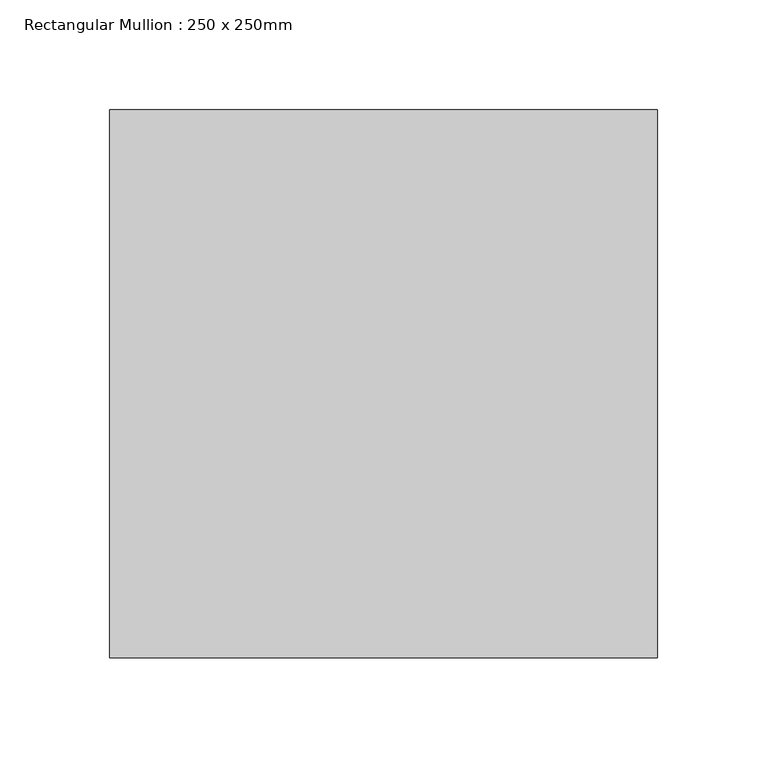
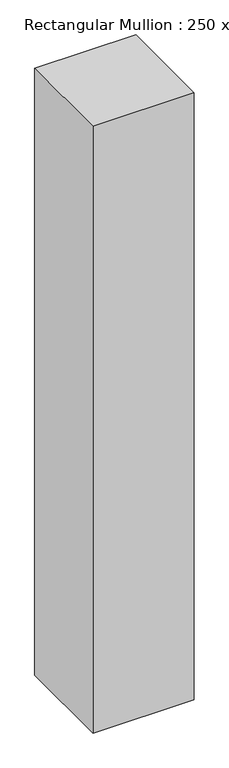
"""IFC4 building model written with IfcOpenShell, lengths in millimetres: member geometry, Rectangular Mullion : 250 x 250mm."""

from ifc_helpers import new_model, si_unit, frame, origin, place, context, project, spatial, polyline, outline, extrude, source, transform, mapped, element, save


def rectangular_mullion_250_x_250mm_5e657e9b(model_context):
    return source(origin(), model_context, "Body", "SweptSolid", [
        extrude(outline(polyline([(0.0, 125.0), (0.0, -125.0), (-250.0, -125.0), (-250.0, 125.0), (0.0, 125.0)])), frame((0.0, 0.0, -1586.2403175), z_axis=(0.0, 0.0, 1.0), x_axis=(1.0, 0.0, 0.0)), (0.0, 0.0, 1.0), 1586.2403175),
    ])


if __name__ == "__main__":
    model = new_model("IFC4")
    model_context = context("Model", 3, world=origin())
    ifc_project = project(units=[si_unit("LENGTHUNIT", "METRE", prefix="MILLI")], contexts=[model_context])
    site = spatial("IfcSite", under=ifc_project)
    building = spatial("IfcBuilding", under=site)
    placement = place(None, origin())
    rectangular_mullion_250_x_250mm_shape = rectangular_mullion_250_x_250mm_5e657e9b(model_context)
    element("IfcMember", 1, ObjectType="Rectangular Mullion : 250 x 250mm", at=placement, inside=building, context=model_context, shape_type="MappedRepresentation", body=[
        mapped(rectangular_mullion_250_x_250mm_shape, transform((0.0, 0.0, 0.0), x_axis=(1.0, 0.0, 0.0), y_axis=(0.0, 1.0, 0.0), z_axis=(0.0, 0.0, 1.0))),
    ])
    save(model, "model.ifc")
